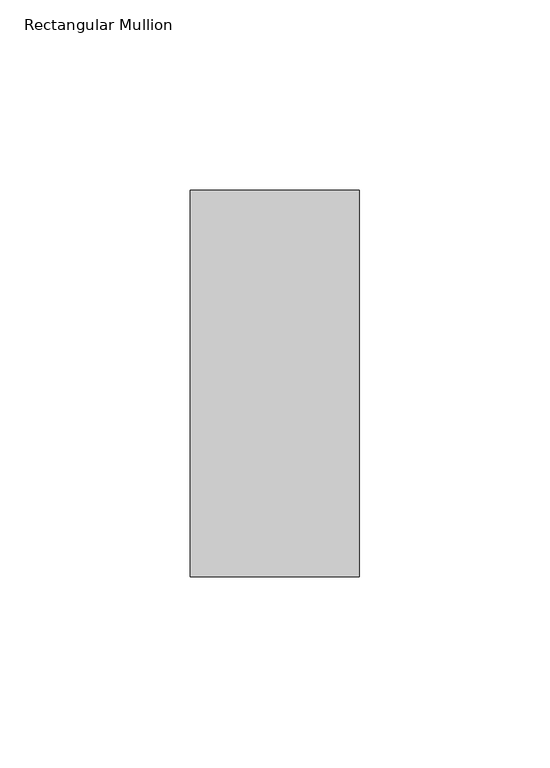
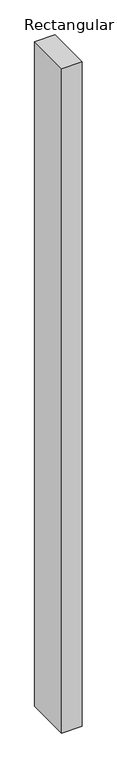
"""IFC4 building model written with IfcOpenShell, lengths in millimetres: member geometry, Rectangular Mullion."""

import ifcopenshell
import ifcopenshell.guid

model = None  # the IFC model being written
_history = None  # IfcOwnerHistory: only IFC2X3 demands one
_inside = {}  # id of a spatial element -> (the spatial element, [elements in it])
_under = {}  # id of a project, library or spatial element -> (it, [spatial elements below it])
_declared = {}  # id of a project -> (the project, [libraries it declares])
_typed = {}  # id of a type object -> (the type object, [elements of that type])
_made_of = {}  # id of a material, layer set ... -> (it, [elements and type objects made of it])


def new_model(schema):
    """Start an empty IFC model of exactly this schema.

    Asked for "IFC4X3", IfcOpenShell would pick the latest addendum, in which some entities
    have other attributes; the version numbers below select the first issue.
    IFC2X3 requires an IfcOwnerHistory on every rooted entity: one is made here for all.
    """
    global model, _history
    if schema == "IFC4X3":
        model = ifcopenshell.file(schema_version=(4, 3, 0, 0))
    else:
        model = ifcopenshell.file(schema=schema)
    _inside.clear()
    _under.clear()
    _declared.clear()
    _typed.clear()
    _made_of.clear()
    _history = None
    if model.schema == "IFC2X3":
        org = make("IfcOrganization", Name="unknown")
        user = make(
            "IfcPersonAndOrganization",
            ThePerson=make("IfcPerson", FamilyName="unknown"),
            TheOrganization=org,
        )
        app = make(
            "IfcApplication",
            ApplicationDeveloper=org,
            Version="unknown",
            ApplicationFullName="unknown",
            ApplicationIdentifier="unknown",
        )
        _history = make(
            "IfcOwnerHistory",
            OwningUser=user,
            OwningApplication=app,
            ChangeAction="ADDED",
            CreationDate=0,
        )
    return model


def make(cls, **values):
    """One entity of the class cls with the attributes given. An attribute that is None is left unset."""
    return model.create_entity(
        cls, **{name: value for name, value in values.items() if value is not None}
    )


def rooted(cls, **values):
    """An entity with a GlobalId (a new one), such as an element, a storey or a relation."""
    return make(cls, GlobalId=ifcopenshell.guid.new(), OwnerHistory=_history, **values)


def si_unit(unit_type, name, prefix=None):
    """IfcSIUnit, for example si_unit("LENGTHUNIT", "METRE", prefix="MILLI")."""
    return make("IfcSIUnit", UnitType=unit_type, Prefix=prefix, Name=name)


def assignment(units):
    """IfcUnitAssignment: the units of a project."""
    return None if units is None else make("IfcUnitAssignment", Units=units)


def point(xyz):
    """IfcCartesianPoint."""
    return None if xyz is None else make("IfcCartesianPoint", Coordinates=xyz)


def direction(xyz):
    """IfcDirection."""
    return None if xyz is None else make("IfcDirection", DirectionRatios=xyz)


def frame(location, z_axis=None, x_axis=None):
    """IfcAxis2Placement3D, a coordinate frame: its origin and axes. An axis left out is left unset."""
    return make(
        "IfcAxis2Placement3D",
        Location=point(location),
        Axis=direction(z_axis),
        RefDirection=direction(x_axis),
    )


def origin():
    """The frame at (0, 0, 0) with its axes left unset."""
    return frame((0.0, 0.0, 0.0))


def place(relative_to, where):
    """IfcLocalPlacement: puts the frame where relative to a parent placement (None: the world)."""
    return make(
        "IfcLocalPlacement", PlacementRelTo=relative_to, RelativePlacement=where
    )


def context(
    kind, dimensions, precision=None, world=None, true_north=None, identifier=None
):
    """IfcGeometricRepresentationContext, for example the 3D "Model" context."""
    return make(
        "IfcGeometricRepresentationContext",
        ContextIdentifier=identifier,
        ContextType=kind,
        CoordinateSpaceDimension=dimensions,
        Precision=precision,
        WorldCoordinateSystem=world,
        TrueNorth=true_north,
    )


def project(units=None, contexts=None):
    """IfcProject with its units and contexts."""
    return rooted(
        "IfcProject",
        Name="project",
        RepresentationContexts=contexts,
        UnitsInContext=assignment(units),
    )


def spatial(cls, under=None, at=None, **own):
    """A site, building, storey or space (cls), placed at a placement, below another one or the project."""
    s = rooted(cls, ObjectPlacement=at, **own)
    if under is not None:
        _under.setdefault(under.id(), (under, []))[1].append(s)
    return s


def polyline(points):
    """IfcPolyline through the points."""
    return make("IfcPolyline", Points=[point(p) for p in points])


def outline(outer, holes=None, kind="AREA"):
    """IfcArbitraryClosedProfileDef: a profile drawn as a closed curve; with holes, ...WithVoids."""
    if holes is None:
        return make("IfcArbitraryClosedProfileDef", ProfileType=kind, OuterCurve=outer)
    return make(
        "IfcArbitraryProfileDefWithVoids",
        ProfileType=kind,
        OuterCurve=outer,
        InnerCurves=holes,
    )


def extrude(swept, where, along, depth):
    """IfcExtrudedAreaSolid: the profile swept, set in the frame where, extruded along a direction by depth."""
    return make(
        "IfcExtrudedAreaSolid",
        SweptArea=swept,
        Position=where,
        ExtrudedDirection=direction(along),
        Depth=depth,
    )


def shape(context_of_items, identifier, shape_type, items):
    """IfcShapeRepresentation: the items that make up one representation, for example the "Body"."""
    return make(
        "IfcShapeRepresentation",
        ContextOfItems=context_of_items,
        RepresentationIdentifier=identifier,
        RepresentationType=shape_type,
        Items=items,
    )


def source(mapping_origin, context_of_items, identifier, shape_type, items):
    """IfcRepresentationMap: a shape defined once, which mapped items show again and again."""
    return make(
        "IfcRepresentationMap",
        MappingOrigin=mapping_origin,
        MappedRepresentation=shape(context_of_items, identifier, shape_type, items),
    )


def transform(
    local_origin,
    x_axis=None,
    y_axis=None,
    z_axis=None,
    scale=None,
    scale2=None,
    scale3=None,
    uniform=True,
):
    """IfcCartesianTransformationOperator3D, or its non-uniform kind. x_axis, y_axis, z_axis: its Axis1, 2, 3."""
    if uniform:
        return make(
            "IfcCartesianTransformationOperator3D",
            Axis1=direction(x_axis),
            Axis2=direction(y_axis),
            LocalOrigin=point(local_origin),
            Scale=scale,
            Axis3=direction(z_axis),
        )
    return make(
        "IfcCartesianTransformationOperator3DnonUniform",
        Axis1=direction(x_axis),
        Axis2=direction(y_axis),
        LocalOrigin=point(local_origin),
        Scale=scale,
        Axis3=direction(z_axis),
        Scale2=scale2,
        Scale3=scale3,
    )


def mapped(mapping_source, mapping_target):
    """IfcMappedItem: shows the shape of a source again, moved by a transform."""
    return make(
        "IfcMappedItem", MappingSource=mapping_source, MappingTarget=mapping_target
    )


def made_of(thing, what):
    """Note that an element or type object is made of a material, layer set ...; save() writes the relation."""
    if what is not None:
        _made_of.setdefault(what.id(), (what, []))[1].append(thing)
    return thing


def element(
    cls,
    number,
    at=None,
    inside=None,
    cuts=None,
    type_object=None,
    material=None,
    context=None,
    identifier="Body",
    shape_type=None,
    held_by="IfcProductDefinitionShape",
    body=None,
    shapes=None,
    **own,
):
    """One element of the class cls, such as IfcWall. Its Tag is "e" and its number.

    at: its placement. inside: the storey or other place that contains it. cuts: it is an
    opening in that element (IfcRelVoidsElement). A single representation is given by context,
    identifier, shape_type and body (its items); several are given by shapes. held_by: the class
    of the entity that holds the representations. save() writes the other relations.
    """
    e = rooted(cls, Tag="e%d" % number, ObjectPlacement=at, **own)
    if body is not None:
        shapes = [shape(context, identifier, shape_type, body)]
    if shapes is not None:
        e.Representation = make(held_by, Representations=shapes)
    if inside is not None:
        _inside.setdefault(inside.id(), (inside, []))[1].append(e)
    if cuts is not None:
        rooted(
            "IfcRelVoidsElement", RelatingBuildingElement=cuts, RelatedOpeningElement=e
        )
    if type_object is not None:
        _typed.setdefault(type_object.id(), (type_object, []))[1].append(e)
    return made_of(e, material)


def aggregate(whole, parts):
    """IfcRelAggregates: a whole, such as a stair, and the parts it consists of."""
    return rooted("IfcRelAggregates", RelatingObject=whole, RelatedObjects=parts)


def save(model, path):
    """Write the relations noted so far, then the file.

    IfcRelAggregates (storeys below a building ...), IfcRelContainedInSpatialStructure (elements
    in a storey), IfcRelDefinesByType, IfcRelAssociatesMaterial and IfcRelDeclares: one each for
    every whole, place, type object, material and project.
    """
    for whole, parts in _under.values():
        aggregate(whole, parts)
    for where, things in _inside.values():
        rooted(
            "IfcRelContainedInSpatialStructure",
            RelatedElements=things,
            RelatingStructure=where,
        )
    for kind, things in _typed.values():
        rooted("IfcRelDefinesByType", RelatedObjects=things, RelatingType=kind)
    for what, things in _made_of.values():
        rooted("IfcRelAssociatesMaterial", RelatedObjects=things, RelatingMaterial=what)
    for by, libraries in _declared.values():
        rooted("IfcRelDeclares", RelatingContext=by, RelatedDefinitions=libraries)
    model.write(path)


def rectangular_mullion_c32dce37(model_context):
    return source(origin(), model_context, "Body", "SweptSolid", [
        extrude(outline(polyline([(0.0, 50.8), (0.0, -50.8), (-44.44619, -50.8), (-44.44619, 50.8), (0.0, 50.8)])), frame((0.0, 0.0, -1524.0), z_axis=(0.0, 0.0, 1.0), x_axis=(1.0, 0.0, 0.0)), (0.0, 0.0, 1.0), 1524.0),
    ])


if __name__ == "__main__":
    model = new_model("IFC4")
    model_context = context("Model", 3, world=origin())
    ifc_project = project(units=[si_unit("LENGTHUNIT", "METRE", prefix="MILLI")], contexts=[model_context])
    site = spatial("IfcSite", under=ifc_project)
    building = spatial("IfcBuilding", under=site)
    placement = place(None, origin())
    rectangular_mullion_shape = rectangular_mullion_c32dce37(model_context)
    element("IfcMember", 1, ObjectType="Rectangular Mullion", at=placement, inside=building, context=model_context, shape_type="MappedRepresentation", body=[
        mapped(rectangular_mullion_shape, transform((0.0, 0.0, 0.0), x_axis=(1.0, 0.0, 0.0), y_axis=(0.0, 1.0, 0.0), z_axis=(0.0, 0.0, 1.0))),
    ])
    save(model, "model.ifc")
